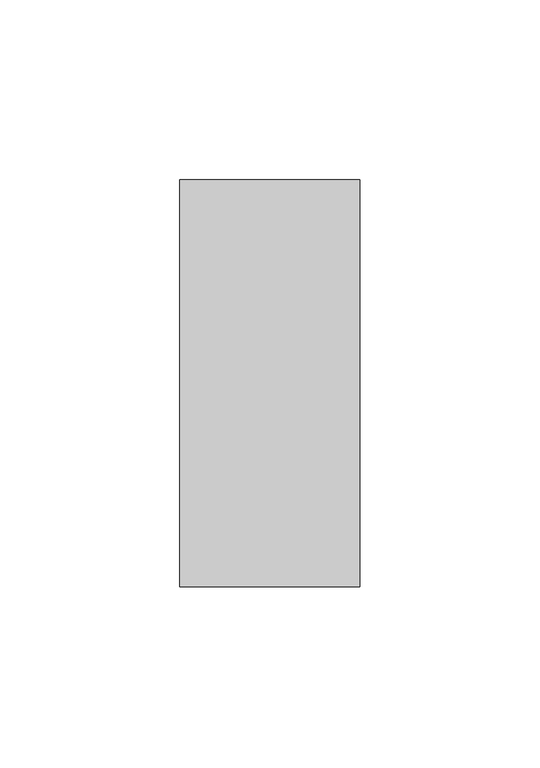
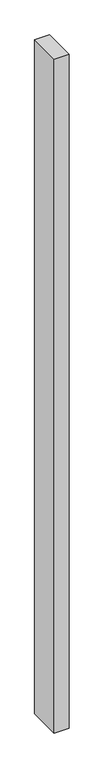
"""IFC4 building model written with IfcOpenShell, lengths in millimetres: member geometry."""

from ifc_helpers import new_model, si_unit, frame, origin, place, context, project, spatial, polyline, outline, extrude, source, transform, mapped, element, save


def member_775151d8(model_context):
    return source(origin(), model_context, "Body", "SweptSolid", [
        extrude(outline(polyline([(-50.0, -22.0), (-50.0, 91.0), (0.0, 91.0), (0.0, -22.0), (-50.0, -22.0)])), frame((0.0, 0.0, -2400.0), z_axis=(0.0, 0.0, 1.0), x_axis=(1.0, 0.0, 0.0)), (0.0, 0.0, 1.0), 2400.0),
    ])


if __name__ == "__main__":
    model = new_model("IFC4")
    model_context = context("Model", 3, world=origin())
    ifc_project = project(units=[si_unit("LENGTHUNIT", "METRE", prefix="MILLI")], contexts=[model_context])
    site = spatial("IfcSite", under=ifc_project)
    building = spatial("IfcBuilding", under=site)
    placement = place(None, origin())
    member_shape = member_775151d8(model_context)
    element("IfcMember", 1, at=placement, inside=building, context=model_context, shape_type="MappedRepresentation", body=[
        mapped(member_shape, transform((0.0, 0.0, 0.0), x_axis=(1.0, 0.0, 0.0), y_axis=(0.0, 1.0, 0.0), z_axis=(0.0, 0.0, 1.0))),
    ])
    save(model, "model.ifc")
